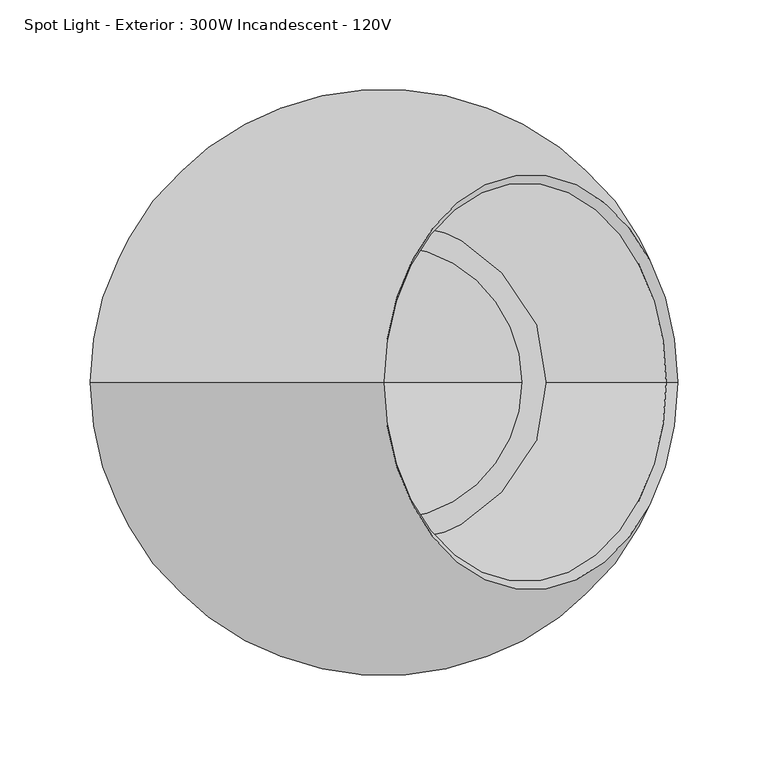
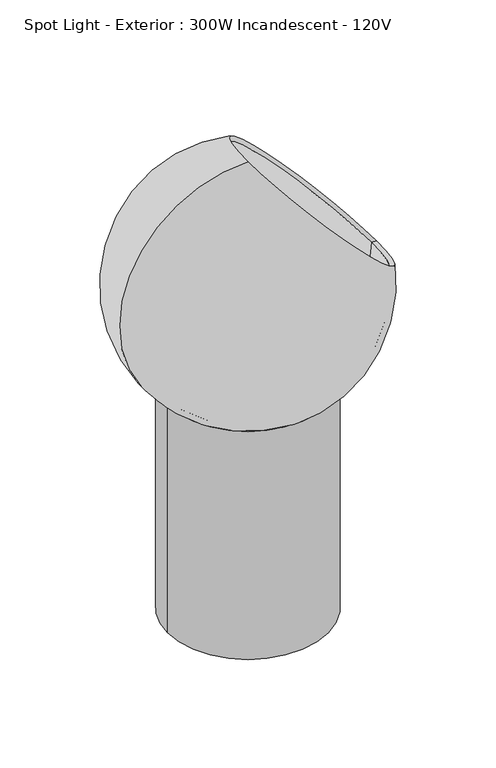
"""IFC4 building model written with IfcOpenShell, lengths in millimetres: light fixture geometry, Spot Light - Exterior : 300W Incandescent - 120V."""

from ifc_helpers import new_model, si_unit, point, frame, origin, origin_with_axes, origin_2d, place, context, project, spatial, polyline, circle_curve, ellipse_curve, trimmed, segment, composite_curve, outline, extrude, source, transform, mapped, element, save
from ifc_brep_helpers import revolved_surface, advanced_brep


def spot_light_exterior_300w_incandescent_120v_40e2cdcf(model_context):
    return source(origin(), model_context, "Body", "SolidModel", [
        advanced_brep(
        [(156.2893556, 0.0, 431.8), (0.0, 0.0, 588.0893556), (-110.5132632, 0.0, 321.2867368), (162.6393556, 0.0, 431.8), (0.0, 0.0, 594.4393556), (-115.0033913, 0.0, 316.7966087)],
        [
            (0, 1, circle_curve(frame((78.1446778, 0.0, 509.9446778), z_axis=(0.7071067811865592, 0.0, 0.7071067811865359), x_axis=(-0.7071067811865359, 0.0, 0.7071067811865592)), 110.5132632)),
            (1, 2, circle_curve(frame((0.0, 0.0, 431.8), z_axis=(0.0, -1.0, 0.0), x_axis=(1.0, 0.0, 0.0)), 156.2893556)),
            (2, 0, circle_curve(frame((0.0, 0.0, 431.8), z_axis=(0.0, -1.0, 0.0), x_axis=(0.0, 0.0, 1.0000000000000002)), 156.2893556)),
            (1, 0, circle_curve(frame((78.1446778, 0.0, 509.9446778), z_axis=(0.7071067811865592, 0.0, 0.7071067811865359), x_axis=(-0.7071067811865359, 0.0, 0.7071067811865592)), 110.5132632)),
            (3, 4, circle_curve(frame((81.3196778, 0.0, 513.1196778), z_axis=(0.7071067811865592, 0.0, 0.7071067811865359), x_axis=(-0.7071067811865359, 0.0, 0.7071067811865592)), 115.0033913)),
            (4, 1),
            (0, 3),
            (4, 3, circle_curve(frame((81.3196778, 0.0, 513.1196778), z_axis=(0.7071067811865592, 0.0, 0.7071067811865359), x_axis=(-0.7071067811865359, 0.0, 0.7071067811865592)), 115.0033913)),
            (5, 4, circle_curve(frame((0.0, 0.0, 431.8), z_axis=(0.0, 1.0, 0.0), x_axis=(1.0, 0.0, 0.0)), 162.6393556)),
            (3, 5, circle_curve(frame((0.0, 0.0, 431.8), z_axis=(0.0, 1.0, 0.0), x_axis=(0.0, 0.0, 1.0000000000000002)), 162.6393556)),
        ],
        [
            revolved_surface(trimmed(ellipse_curve(frame((0.0, 0.0, 431.8), z_axis=(0.0, 1.0, 0.0), x_axis=(1.0, 0.0, 0.0)), 156.2893556, 156.2893556), [point((-110.5132632, 0.0, 321.2867368))], [point((0.0, 0.0, 588.0893556))], True, "CARTESIAN"), (-115.0033913, 0.0, 316.7966087), (-0.7071067811865592, 0.0, -0.7071067811865359)),
            revolved_surface(polyline([(0.0, 0.0, 588.0893556), (0.0, 0.0, 594.4393556)]), (-115.0033913, 0.0, 316.7966087), (-0.7071067811865592, 0.0, -0.7071067811865359)),
            revolved_surface(trimmed(ellipse_curve(frame((0.0, 0.0, 431.8), z_axis=(0.0, -1.0, 0.0), x_axis=(1.0, 0.0, 0.0)), 162.6393556, 162.6393556), [point((0.0, 0.0, 594.4393556))], [point((-115.0033913, 0.0, 316.7966087))], True, "CARTESIAN"), (-115.0033913, 0.0, 316.7966087), (-0.7071067811865592, 0.0, -0.7071067811865359)),
        ],
        [
            (0, [[1, 2, 3]]),
            (0, [[4, -3, -2]]),
            (1, [[5, 6, -1, 7]]),
            (1, [[8, -7, -4, -6]]),
            (2, [[9, -5, 10]]),
            (2, [[-10, -8, -9]]),
        ],
    ),
        extrude(outline(composite_curve([segment(trimmed(circle_curve(origin_2d(), 101.6), [point((-101.6, 0.0))], [point((101.6, 0.0))], False, "CARTESIAN"), True, "CONTINUOUS"), segment(trimmed(circle_curve(origin_2d(), 101.6), [point((101.6, 0.0))], [point((-101.6, 0.0))], False, "CARTESIAN"), True, "CONTINUOUS")], self_intersect=False), holes=[composite_curve([segment(trimmed(circle_curve(origin_2d(), 76.2), [point((-76.2, 0.0))], [point((76.2, 0.0))], True, "CARTESIAN"), True, "CONTINUOUS"), segment(trimmed(circle_curve(origin_2d(), 76.2), [point((76.2, 0.0))], [point((-76.2, 0.0))], True, "CARTESIAN"), True, "CONTINUOUS")], self_intersect=False)]), origin_with_axes(), (0.0, 0.0, 1.0), 304.8),
    ])


if __name__ == "__main__":
    model = new_model("IFC4")
    model_context = context("Model", 3, world=origin())
    ifc_project = project(units=[si_unit("LENGTHUNIT", "METRE", prefix="MILLI")], contexts=[model_context])
    site = spatial("IfcSite", under=ifc_project)
    building = spatial("IfcBuilding", under=site)
    placement = place(None, origin())
    spot_light_exterior_300w_incandescent_120v_shape = spot_light_exterior_300w_incandescent_120v_40e2cdcf(model_context)
    element("IfcLightFixture", 1, ObjectType="Spot Light - Exterior : 300W Incandescent - 120V", at=placement, inside=building, context=model_context, shape_type="MappedRepresentation", body=[
        mapped(spot_light_exterior_300w_incandescent_120v_shape, transform((0.0, 0.0, 0.0), x_axis=(1.0, 0.0, 0.0), y_axis=(0.0, 1.0, 0.0), z_axis=(0.0, 0.0, 1.0))),
    ])
    save(model, "model.ifc")
